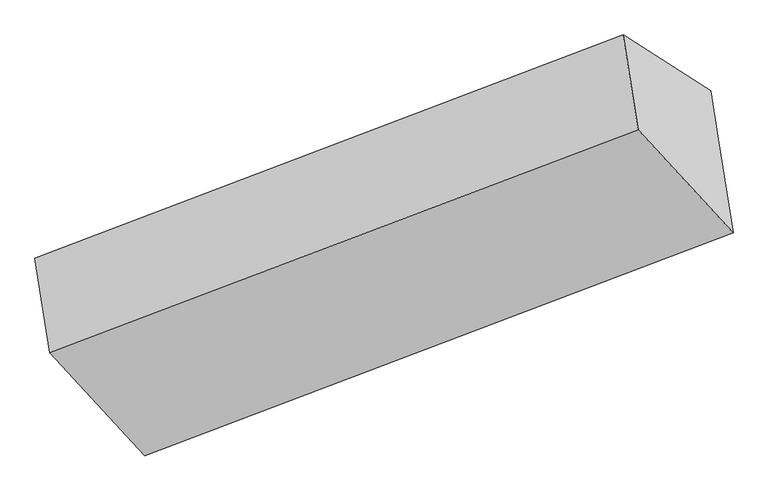
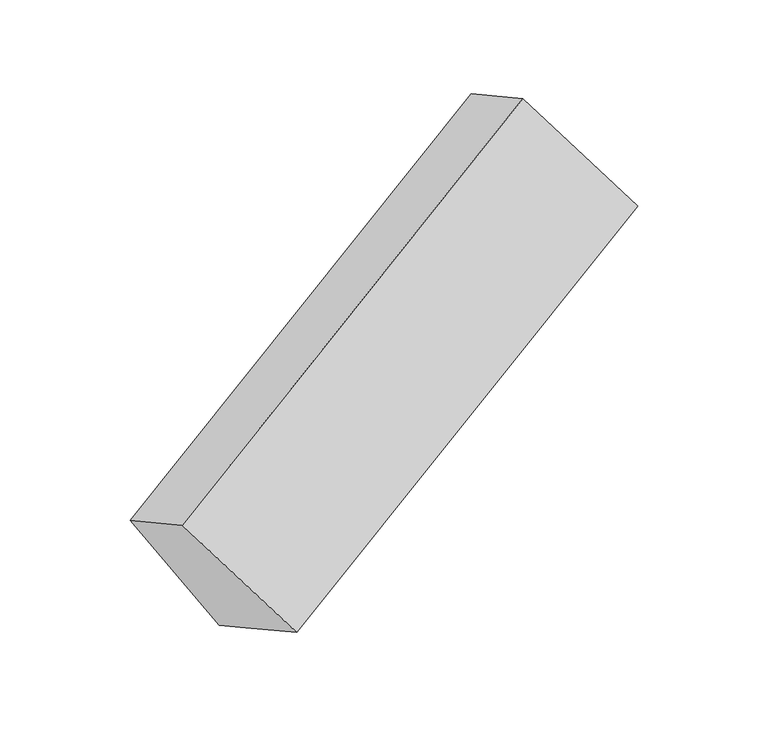
"""IFC4 building model written with IfcOpenShell, lengths in millimetres: proxy geometry."""

from ifc_helpers import new_model, si_unit, origin, place, context, project, spatial, faceted_brep, source, transform, mapped, element, save


def generic_models_3713afd5(model_context):
    return source(origin(), model_context, "Body", "Brep", [
        faceted_brep([(-4167.43312, -1668.309102, 1548.2722794), (-4109.230224, -2036.3156577, 1723.5439071), (-1826.2684885, -1170.0737207, 2760.7354254), (-1884.4713845, -802.0671649, 2585.4637977), (-3827.7717595, -1885.1529298, 980.1870374), (-1544.8100241, -1018.9109927, 2017.3785556), (-3797.9361018, -2073.798485, 1070.0338431), (-1514.9743664, -1207.5565479, 2107.2253613), (-3740.6324328, -2436.1193888, 1242.5975476), (-1457.6706973, -1569.8774517, 2279.7890659)], [[[0, 1, 2, 3]], [[4, 0, 5]], [[6, 4, 5, 7]], [[8, 6, 7, 9]], [[1, 8, 9, 2]], [[7, 5, 3, 2, 9]], [[1, 0, 4, 6, 8]], [[3, 5, 0]]]),
    ])


if __name__ == "__main__":
    model = new_model("IFC4")
    model_context = context("Model", 3, world=origin())
    ifc_project = project(units=[si_unit("LENGTHUNIT", "METRE", prefix="MILLI")], contexts=[model_context])
    site = spatial("IfcSite", under=ifc_project)
    building = spatial("IfcBuilding", under=site)
    placement = place(None, origin())
    generic_models_shape = generic_models_3713afd5(model_context)
    element("IfcBuildingElementProxy", 1, Name="Generic Models", at=placement, inside=building, context=model_context, shape_type="MappedRepresentation", body=[
        mapped(generic_models_shape, transform((0.0, 0.0, 0.0), x_axis=(1.0, 0.0, 0.0), y_axis=(0.0, 1.0, 0.0), z_axis=(0.0, 0.0, 1.0))),
    ])
    save(model, "model.ifc")
